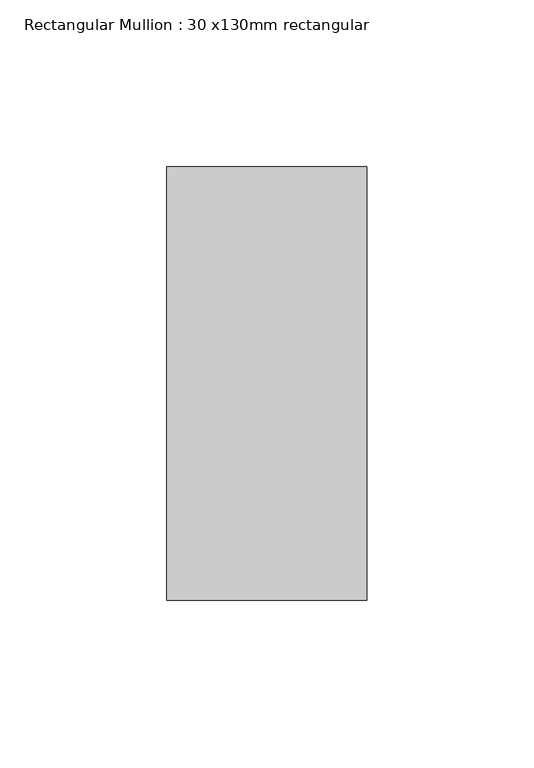
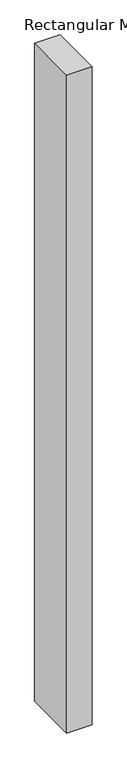
"""IFC4 building model written with IfcOpenShell, lengths in millimetres: member geometry, Rectangular Mullion : 30 x130mm rectangular."""

from ifc_helpers import new_model, si_unit, frame, origin, place, context, project, spatial, polyline, outline, extrude, source, transform, mapped, element, save


def rectangular_mullion_30_x130mm_rectangular_ca6a07f5(model_context):
    return source(origin(), model_context, "Body", "SweptSolid", [
        extrude(outline(polyline([(0.0, 65.0), (0.0, -65.0), (-60.0, -65.0), (-60.0, 65.0), (0.0, 65.0)])), frame((0.0, 0.0, -1633.2794352), z_axis=(0.0, 0.0, 1.0), x_axis=(1.0, 0.0, 0.0)), (0.0, 0.0, 1.0), 1633.2794352),
    ])


if __name__ == "__main__":
    model = new_model("IFC4")
    model_context = context("Model", 3, world=origin())
    ifc_project = project(units=[si_unit("LENGTHUNIT", "METRE", prefix="MILLI")], contexts=[model_context])
    site = spatial("IfcSite", under=ifc_project)
    building = spatial("IfcBuilding", under=site)
    placement = place(None, origin())
    rectangular_mullion_30_x130mm_rectangular_shape = rectangular_mullion_30_x130mm_rectangular_ca6a07f5(model_context)
    element("IfcMember", 1, ObjectType="Rectangular Mullion : 30 x130mm rectangular", at=placement, inside=building, context=model_context, shape_type="MappedRepresentation", body=[
        mapped(rectangular_mullion_30_x130mm_rectangular_shape, transform((0.0, 0.0, 0.0), x_axis=(1.0, 0.0, 0.0), y_axis=(0.0, 1.0, 0.0), z_axis=(0.0, 0.0, 1.0))),
    ])
    save(model, "model.ifc")
